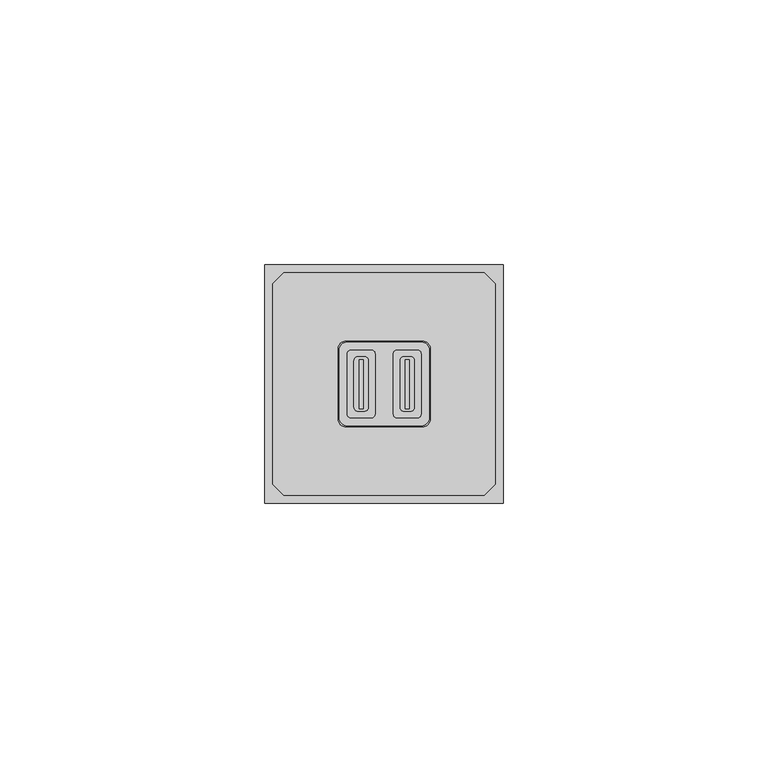
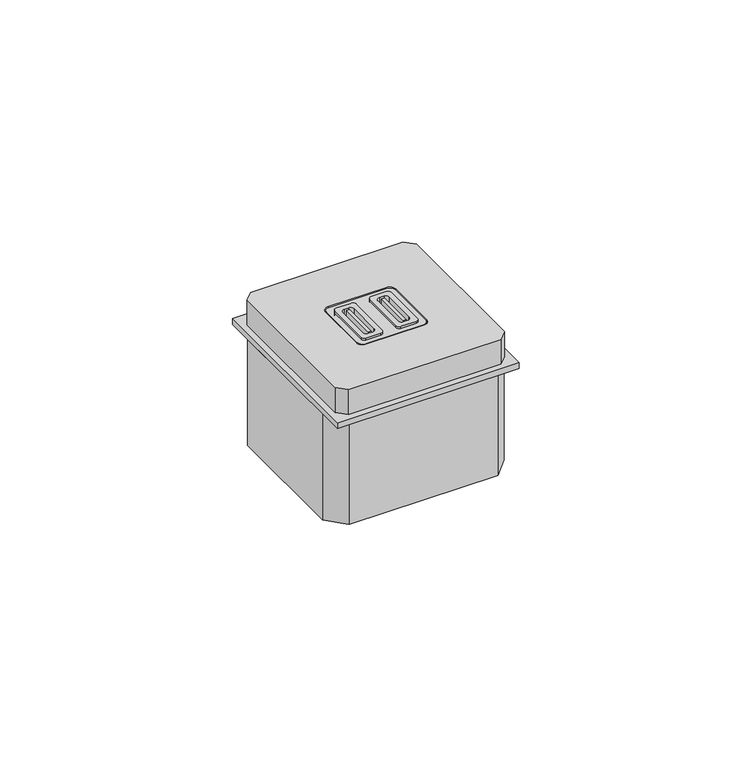
"""IFC4 building model written with IfcOpenShell, lengths in millimetres: proxy geometry."""

from ifc_helpers import new_model, si_unit, point, frame, frame_2d, origin, origin_with_axes, place, context, project, spatial, polyline, circle_curve, trimmed, segment, composite_curve, outline, extrude, source, transform, mapped, element, save


def electrical_fixtures_92f61962(model_context):
    return source(origin(), model_context, "Body", "SweptSolid", [
        extrude(outline(composite_curve([segment(polyline([(15.55, 16.8960028), (15.55, 28.1039972)]), True, "CONTINUOUS"), segment(trimmed(circle_curve(frame_2d((16.3460028, 28.1039972)), 0.7960028), [point((15.55, 28.1039972))], [point((16.3460028, 28.9))], False, "CARTESIAN"), True, "CONTINUOUS"), segment(polyline([(16.3460028, 28.9), (20.0397222, 28.9)]), True, "CONTINUOUS"), segment(trimmed(circle_curve(frame_2d((20.0397222, 28.0897222)), 0.8102778), [point((20.0397222, 28.9))], [point((20.85, 28.0897222))], False, "CARTESIAN"), True, "CONTINUOUS"), segment(polyline([(20.85, 28.0897222), (20.85, 16.9102778)]), True, "CONTINUOUS"), segment(trimmed(circle_curve(frame_2d((20.0397222, 16.9102778)), 0.8102778), [point((20.85, 16.9102778))], [point((20.0397222, 16.1))], False, "CARTESIAN"), True, "CONTINUOUS"), segment(polyline([(20.0397222, 16.1), (16.3460028, 16.1)]), True, "CONTINUOUS"), segment(trimmed(circle_curve(frame_2d((16.3460028, 16.8960028)), 0.7960028), [point((16.3460028, 16.1))], [point((15.55, 16.8960028))], False, "CARTESIAN"), True, "CONTINUOUS")], self_intersect=False), holes=[composite_curve([segment(polyline([(19.5491125, 18.1486893), (19.5491125, 26.8695313)]), True, "CONTINUOUS"), segment(trimmed(circle_curve(frame_2d((18.7491125, 26.8695313)), 0.8), [point((19.5491125, 26.8695313))], [point((18.7491125, 27.6695313))], True, "CARTESIAN"), True, "CONTINUOUS"), segment(polyline([(18.7491125, 27.6695313), (17.6366125, 27.6695313)]), True, "CONTINUOUS"), segment(trimmed(circle_curve(frame_2d((17.6366125, 26.8695313)), 0.8), [point((17.6366125, 27.6695313))], [point((16.8366125, 26.8695313))], True, "CARTESIAN"), True, "CONTINUOUS"), segment(polyline([(16.8366125, 26.8695313), (16.8366125, 18.1486893)]), True, "CONTINUOUS"), segment(trimmed(circle_curve(frame_2d((17.6366125, 18.1486893)), 0.8), [point((16.8366125, 18.1486893))], [point((17.6366125, 17.3486893))], True, "CARTESIAN"), True, "CONTINUOUS"), segment(polyline([(17.6366125, 17.3486893), (18.7491125, 17.3486893)]), True, "CONTINUOUS"), segment(trimmed(circle_curve(frame_2d((18.7491125, 18.1486893)), 0.8), [point((18.7491125, 17.3486893))], [point((19.5491125, 18.1486893))], True, "CARTESIAN"), True, "CONTINUOUS")], self_intersect=False)]), frame((0.0, 0.0, 1.5), z_axis=(0.0, 0.0, 1.0), x_axis=(1.0, 0.0, 0.0)), (0.0, 0.0, 1.0), 6.7826876),
        extrude(outline(composite_curve([segment(polyline([(28.7397222, 16.1), (25.0460028, 16.1)]), True, "CONTINUOUS"), segment(trimmed(circle_curve(frame_2d((25.0460028, 16.8960028)), 0.7960028), [point((25.0460028, 16.1))], [point((24.25, 16.8960028))], False, "CARTESIAN"), True, "CONTINUOUS"), segment(polyline([(24.25, 16.8960028), (24.25, 28.1039972)]), True, "CONTINUOUS"), segment(trimmed(circle_curve(frame_2d((25.0460028, 28.1039972)), 0.7960028), [point((24.25, 28.1039972))], [point((25.0460028, 28.9))], False, "CARTESIAN"), True, "CONTINUOUS"), segment(polyline([(25.0460028, 28.9), (28.7397222, 28.9)]), True, "CONTINUOUS"), segment(trimmed(circle_curve(frame_2d((28.7397222, 28.0897222)), 0.8102778), [point((28.7397222, 28.9))], [point((29.55, 28.0897222))], False, "CARTESIAN"), True, "CONTINUOUS"), segment(polyline([(29.55, 28.0897222), (29.55, 16.9102778)]), True, "CONTINUOUS"), segment(trimmed(circle_curve(frame_2d((28.7397222, 16.9102778)), 0.8102778), [point((29.55, 16.9102778))], [point((28.7397222, 16.1))], False, "CARTESIAN"), True, "CONTINUOUS")], self_intersect=False), holes=[composite_curve([segment(polyline([(28.2491125, 18.1486893), (28.2491125, 26.8695313)]), True, "CONTINUOUS"), segment(trimmed(circle_curve(frame_2d((27.4491125, 26.8695313)), 0.8), [point((28.2491125, 26.8695313))], [point((27.4491125, 27.6695313))], True, "CARTESIAN"), True, "CONTINUOUS"), segment(polyline([(27.4491125, 27.6695313), (26.3366125, 27.6695313)]), True, "CONTINUOUS"), segment(trimmed(circle_curve(frame_2d((26.3366125, 26.8695313)), 0.8), [point((26.3366125, 27.6695313))], [point((25.5366125, 26.8695313))], True, "CARTESIAN"), True, "CONTINUOUS"), segment(polyline([(25.5366125, 26.8695313), (25.5366125, 18.1486893)]), True, "CONTINUOUS"), segment(trimmed(circle_curve(frame_2d((26.3366125, 18.1486893)), 0.8), [point((25.5366125, 18.1486893))], [point((26.3366125, 17.3486893))], True, "CARTESIAN"), True, "CONTINUOUS"), segment(polyline([(26.3366125, 17.3486893), (27.4491125, 17.3486893)]), True, "CONTINUOUS"), segment(trimmed(circle_curve(frame_2d((27.4491125, 18.1486893)), 0.8), [point((27.4491125, 17.3486893))], [point((28.2491125, 18.1486893))], True, "CARTESIAN"), True, "CONTINUOUS")], self_intersect=False)]), frame((0.0, 0.0, 1.5), z_axis=(0.0, 0.0, 1.0), x_axis=(1.0, 0.0, 0.0)), (0.0, 0.0, 1.0), 6.7826876),
        extrude(outline(polyline([(3.6094639, 43.5), (41.3905361, 43.5), (43.5, 41.3905361), (43.5, 3.6094639), (41.3905361, 1.5), (3.6094639, 1.5), (1.5, 3.6094639), (1.5, 41.3905361), (3.6094639, 43.5)]), holes=[composite_curve([segment(trimmed(circle_curve(frame_2d((29.75, 29.1)), 1.5), [point((31.25, 29.1))], [point((29.75, 30.6))], True, "CARTESIAN"), True, "CONTINUOUS"), segment(polyline([(29.75, 30.6), (15.35, 30.6)]), True, "CONTINUOUS"), segment(trimmed(circle_curve(frame_2d((15.35, 29.1)), 1.5), [point((15.35, 30.6))], [point((13.85, 29.1))], True, "CARTESIAN"), True, "CONTINUOUS"), segment(polyline([(13.85, 29.1), (13.85, 15.9)]), True, "CONTINUOUS"), segment(trimmed(circle_curve(frame_2d((15.35, 15.9)), 1.5), [point((13.85, 15.9))], [point((15.35, 14.4))], True, "CARTESIAN"), True, "CONTINUOUS"), segment(polyline([(15.35, 14.4), (29.75, 14.4)]), True, "CONTINUOUS"), segment(trimmed(circle_curve(frame_2d((29.75, 15.9)), 1.5), [point((29.75, 14.4))], [point((31.25, 15.9))], True, "CARTESIAN"), True, "CONTINUOUS"), segment(polyline([(31.25, 15.9), (31.25, 29.1)]), True, "CONTINUOUS")], self_intersect=False)]), frame((0.0, 0.0, 1.5), z_axis=(0.0, 0.0, 1.0), x_axis=(1.0, 0.0, 0.0)), (0.0, 0.0, 1.0), 6.5),
        extrude(outline(composite_curve([segment(trimmed(circle_curve(frame_2d((29.55, 28.9)), 1.5), [point((29.55, 30.4))], [point((31.05, 28.9))], False, "CARTESIAN"), True, "CONTINUOUS"), segment(polyline([(31.05, 28.9), (31.05, 16.1)]), True, "CONTINUOUS"), segment(trimmed(circle_curve(frame_2d((29.55, 16.1)), 1.5), [point((31.05, 16.1))], [point((29.55, 14.6))], False, "CARTESIAN"), True, "CONTINUOUS"), segment(polyline([(29.55, 14.6), (15.55, 14.6)]), True, "CONTINUOUS"), segment(trimmed(circle_curve(frame_2d((15.55, 16.1)), 1.5), [point((15.55, 14.6))], [point((14.05, 16.1))], False, "CARTESIAN"), True, "CONTINUOUS"), segment(polyline([(14.05, 16.1), (14.05, 28.9)]), True, "CONTINUOUS"), segment(trimmed(circle_curve(frame_2d((15.55, 28.9)), 1.5), [point((14.05, 28.9))], [point((15.55, 30.4))], False, "CARTESIAN"), True, "CONTINUOUS"), segment(polyline([(15.55, 30.4), (29.55, 30.4)]), True, "CONTINUOUS")], self_intersect=False), holes=[composite_curve([segment(trimmed(circle_curve(frame_2d((16.3460028, 16.8960028)), 0.7960028), [point((15.55, 16.8960028))], [point((16.3460028, 16.1))], True, "CARTESIAN"), True, "CONTINUOUS"), segment(polyline([(16.3460028, 16.1), (20.0397222, 16.1)]), True, "CONTINUOUS"), segment(trimmed(circle_curve(frame_2d((20.0397222, 16.9102778)), 0.8102778), [point((20.0397222, 16.1))], [point((20.85, 16.9102778))], True, "CARTESIAN"), True, "CONTINUOUS"), segment(polyline([(20.85, 16.9102778), (20.85, 28.0897222)]), True, "CONTINUOUS"), segment(trimmed(circle_curve(frame_2d((20.0397222, 28.0897222)), 0.8102778), [point((20.85, 28.0897222))], [point((20.0397222, 28.9))], True, "CARTESIAN"), True, "CONTINUOUS"), segment(polyline([(20.0397222, 28.9), (16.3460028, 28.9)]), True, "CONTINUOUS"), segment(trimmed(circle_curve(frame_2d((16.3460028, 28.1039972)), 0.7960028), [point((16.3460028, 28.9))], [point((15.55, 28.1039972))], True, "CARTESIAN"), True, "CONTINUOUS"), segment(polyline([(15.55, 28.1039972), (15.55, 16.8960028)]), True, "CONTINUOUS")], self_intersect=False), composite_curve([segment(trimmed(circle_curve(frame_2d((28.7397222, 16.9102778)), 0.8102778), [point((28.7397222, 16.1))], [point((29.55, 16.9102778))], True, "CARTESIAN"), True, "CONTINUOUS"), segment(polyline([(29.55, 16.9102778), (29.55, 28.0897222)]), True, "CONTINUOUS"), segment(trimmed(circle_curve(frame_2d((28.7397222, 28.0897222)), 0.8102778), [point((29.55, 28.0897222))], [point((28.7397222, 28.9))], True, "CARTESIAN"), True, "CONTINUOUS"), segment(polyline([(28.7397222, 28.9), (25.0460028, 28.9)]), True, "CONTINUOUS"), segment(trimmed(circle_curve(frame_2d((25.0460028, 28.1039972)), 0.7960028), [point((25.0460028, 28.9))], [point((24.25, 28.1039972))], True, "CARTESIAN"), True, "CONTINUOUS"), segment(polyline([(24.25, 28.1039972), (24.25, 16.8960028)]), True, "CONTINUOUS"), segment(trimmed(circle_curve(frame_2d((25.0460028, 16.8960028)), 0.7960028), [point((24.25, 16.8960028))], [point((25.0460028, 16.1))], True, "CARTESIAN"), True, "CONTINUOUS"), segment(polyline([(25.0460028, 16.1), (28.7397222, 16.1)]), True, "CONTINUOUS")], self_intersect=False)]), frame((0.0, 0.0, 1.5), z_axis=(0.0, 0.0, 1.0), x_axis=(1.0, 0.0, 0.0)), (0.0, 0.0, 1.0), 6.5),
        extrude(outline(polyline([(18.612851, 27.0534606), (18.612851, 17.8014861), (17.803867, 17.8014861), (17.803867, 27.0534606), (18.612851, 27.0534606)])), origin_with_axes(), (0.0, 0.0, 1.0), 8.2826876),
        extrude(outline(polyline([(27.312851, 27.0534606), (27.312851, 17.8014861), (26.503867, 17.8014861), (26.503867, 27.0534606), (27.312851, 27.0534606)])), origin_with_axes(), (0.0, 0.0, 1.0), 8.2826876),
        extrude(outline(polyline([(0.0, 45.0), (45.0, 45.0), (45.0, 0.0), (0.0, 0.0), (0.0, 45.0)]), holes=[composite_curve([segment(polyline([(15.55, 28.1039972), (15.55, 16.8960028)]), True, "CONTINUOUS"), segment(trimmed(circle_curve(frame_2d((16.3460028, 16.8960028)), 0.7960028), [point((15.55, 16.8960028))], [point((16.3460028, 16.1))], True, "CARTESIAN"), True, "CONTINUOUS"), segment(polyline([(16.3460028, 16.1), (20.0397222, 16.1)]), True, "CONTINUOUS"), segment(trimmed(circle_curve(frame_2d((20.0397222, 16.9102778)), 0.8102778), [point((20.0397222, 16.1))], [point((20.85, 16.9102778))], True, "CARTESIAN"), True, "CONTINUOUS"), segment(polyline([(20.85, 16.9102778), (20.85, 28.0897222)]), True, "CONTINUOUS"), segment(trimmed(circle_curve(frame_2d((20.0397222, 28.0897222)), 0.8102778), [point((20.85, 28.0897222))], [point((20.0397222, 28.9))], True, "CARTESIAN"), True, "CONTINUOUS"), segment(polyline([(20.0397222, 28.9), (16.3460028, 28.9)]), True, "CONTINUOUS"), segment(trimmed(circle_curve(frame_2d((16.3460028, 28.1039972)), 0.7960028), [point((16.3460028, 28.9))], [point((15.55, 28.1039972))], True, "CARTESIAN"), True, "CONTINUOUS")], self_intersect=False), composite_curve([segment(polyline([(24.25, 28.1039972), (24.25, 16.8960028)]), True, "CONTINUOUS"), segment(trimmed(circle_curve(frame_2d((25.0460028, 16.8960028)), 0.7960028), [point((24.25, 16.8960028))], [point((25.0460028, 16.1))], True, "CARTESIAN"), True, "CONTINUOUS"), segment(polyline([(25.0460028, 16.1), (28.7397222, 16.1)]), True, "CONTINUOUS"), segment(trimmed(circle_curve(frame_2d((28.7397222, 16.9102778)), 0.8102778), [point((28.7397222, 16.1))], [point((29.55, 16.9102778))], True, "CARTESIAN"), True, "CONTINUOUS"), segment(polyline([(29.55, 16.9102778), (29.55, 28.0897222)]), True, "CONTINUOUS"), segment(trimmed(circle_curve(frame_2d((28.7397222, 28.0897222)), 0.8102778), [point((29.55, 28.0897222))], [point((28.7397222, 28.9))], True, "CARTESIAN"), True, "CONTINUOUS"), segment(polyline([(28.7397222, 28.9), (25.0460028, 28.9)]), True, "CONTINUOUS"), segment(trimmed(circle_curve(frame_2d((25.0460028, 28.1039972)), 0.7960028), [point((25.0460028, 28.9))], [point((24.25, 28.1039972))], True, "CARTESIAN"), True, "CONTINUOUS")], self_intersect=False)]), origin_with_axes(), (0.0, 0.0, 1.0), 1.5),
        extrude(outline(polyline([(40.9470004, 42.986037), (45.0, 38.5762696), (45.0, 6.4237304), (40.9470004, 2.013963), (4.0529996, 2.013963), (0.0, 6.4237304), (0.0, 38.5762696), (4.0529996, 42.986037), (40.9470004, 42.986037)])), frame((0.0, 0.0, -27.8422687), z_axis=(0.0, 0.0, 1.0), x_axis=(1.0, 0.0, 0.0)), (0.0, 0.0, 1.0), 27.8422687),
        extrude(outline(composite_curve([segment(polyline([(15.55, 30.4), (29.55, 30.4)]), True, "CONTINUOUS"), segment(trimmed(circle_curve(frame_2d((29.55, 28.9)), 1.5), [point((29.55, 30.4))], [point((31.05, 28.9))], False, "CARTESIAN"), True, "CONTINUOUS"), segment(polyline([(31.05, 28.9), (31.05, 16.1)]), True, "CONTINUOUS"), segment(trimmed(circle_curve(frame_2d((29.55, 16.1)), 1.5), [point((31.05, 16.1))], [point((29.55, 14.6))], False, "CARTESIAN"), True, "CONTINUOUS"), segment(polyline([(29.55, 14.6), (15.55, 14.6)]), True, "CONTINUOUS"), segment(trimmed(circle_curve(frame_2d((15.55, 16.1)), 1.5), [point((15.55, 14.6))], [point((14.05, 16.1))], False, "CARTESIAN"), True, "CONTINUOUS"), segment(polyline([(14.05, 16.1), (14.05, 28.9)]), True, "CONTINUOUS"), segment(trimmed(circle_curve(frame_2d((15.55, 28.9)), 1.5), [point((14.05, 28.9))], [point((15.55, 30.4))], False, "CARTESIAN"), True, "CONTINUOUS")], self_intersect=False), holes=[composite_curve([segment(trimmed(circle_curve(frame_2d((16.3460028, 16.8960028)), 0.7960028), [point((15.55, 16.8960028))], [point((16.3460028, 16.1))], True, "CARTESIAN"), True, "CONTINUOUS"), segment(polyline([(16.3460028, 16.1), (20.0397222, 16.1)]), True, "CONTINUOUS"), segment(trimmed(circle_curve(frame_2d((20.0397222, 16.9102778)), 0.8102778), [point((20.0397222, 16.1))], [point((20.85, 16.9102778))], True, "CARTESIAN"), True, "CONTINUOUS"), segment(polyline([(20.85, 16.9102778), (20.85, 28.0897222)]), True, "CONTINUOUS"), segment(trimmed(circle_curve(frame_2d((20.0397222, 28.0897222)), 0.8102778), [point((20.85, 28.0897222))], [point((20.0397222, 28.9))], True, "CARTESIAN"), True, "CONTINUOUS"), segment(polyline([(20.0397222, 28.9), (16.3460028, 28.9)]), True, "CONTINUOUS"), segment(trimmed(circle_curve(frame_2d((16.3460028, 28.1039972)), 0.7960028), [point((16.3460028, 28.9))], [point((15.55, 28.1039972))], True, "CARTESIAN"), True, "CONTINUOUS"), segment(polyline([(15.55, 28.1039972), (15.55, 16.8960028)]), True, "CONTINUOUS")], self_intersect=False), composite_curve([segment(trimmed(circle_curve(frame_2d((28.7397222, 16.9102778)), 0.8102778), [point((28.7397222, 16.1))], [point((29.55, 16.9102778))], True, "CARTESIAN"), True, "CONTINUOUS"), segment(polyline([(29.55, 16.9102778), (29.55, 28.0897222)]), True, "CONTINUOUS"), segment(trimmed(circle_curve(frame_2d((28.7397222, 28.0897222)), 0.8102778), [point((29.55, 28.0897222))], [point((28.7397222, 28.9))], True, "CARTESIAN"), True, "CONTINUOUS"), segment(polyline([(28.7397222, 28.9), (25.0460028, 28.9)]), True, "CONTINUOUS"), segment(trimmed(circle_curve(frame_2d((25.0460028, 28.1039972)), 0.7960028), [point((25.0460028, 28.9))], [point((24.25, 28.1039972))], True, "CARTESIAN"), True, "CONTINUOUS"), segment(polyline([(24.25, 28.1039972), (24.25, 16.8960028)]), True, "CONTINUOUS"), segment(trimmed(circle_curve(frame_2d((25.0460028, 16.8960028)), 0.7960028), [point((24.25, 16.8960028))], [point((25.0460028, 16.1))], True, "CARTESIAN"), True, "CONTINUOUS"), segment(polyline([(25.0460028, 16.1), (28.7397222, 16.1)]), True, "CONTINUOUS")], self_intersect=False)]), frame((0.0, 0.0, 1.5), z_axis=(0.0, 0.0, 1.0), x_axis=(1.0, 0.0, 0.0)), (0.0, 0.0, 1.0), 6.5),
    ])


if __name__ == "__main__":
    model = new_model("IFC4")
    model_context = context("Model", 3, world=origin())
    ifc_project = project(units=[si_unit("LENGTHUNIT", "METRE", prefix="MILLI")], contexts=[model_context])
    site = spatial("IfcSite", under=ifc_project)
    building = spatial("IfcBuilding", under=site)
    placement = place(None, origin())
    electrical_fixtures_shape = electrical_fixtures_92f61962(model_context)
    element("IfcBuildingElementProxy", 1, Name="Electrical Fixtures", at=placement, inside=building, context=model_context, shape_type="MappedRepresentation", body=[
        mapped(electrical_fixtures_shape, transform((0.0, 0.0, 0.0), x_axis=(1.0, 0.0, 0.0), y_axis=(0.0, 1.0, 0.0), z_axis=(0.0, 0.0, 1.0))),
    ])
    save(model, "model.ifc")
